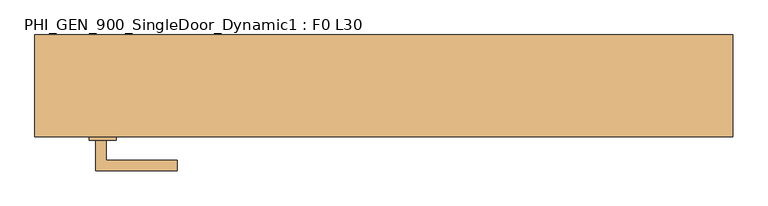
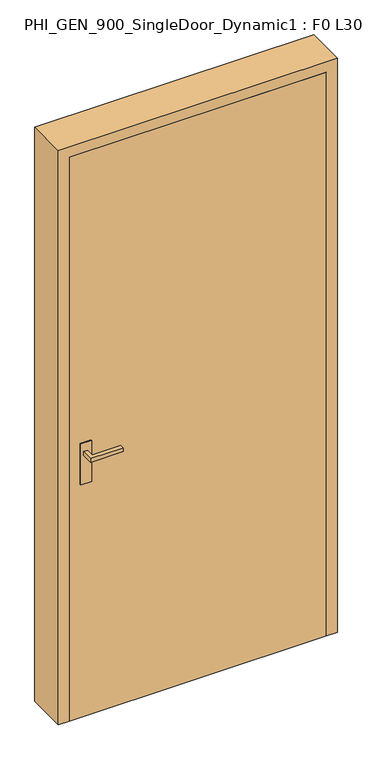
"""IFC4 building model written with IfcOpenShell, lengths in millimetres: door geometry, PHI_GEN_900_SingleDoor_Dynamic1 : F0 L30."""

from ifc_helpers import new_model, si_unit, frame, origin, origin_with_axes, place, context, project, spatial, polyline, outline, extrude, source, transform, mapped, element, save


def phi_gen_900_singledoor_dynamic1_f0_l30_b5d6c16b(model_context):
    return source(origin(), model_context, "Body", "SweptSolid", [
        extrude(outline(polyline([(0.0, -825.0), (2200.0, -825.0), (2200.0, 125.0), (0.0, 125.0), (0.0, 165.0), (2240.0, 165.0), (2240.0, -865.0), (0.0, -865.0), (0.0, -825.0)])), frame((0.0, -75.0, 0.0), z_axis=(0.0, 1.0, 0.0), x_axis=(0.0, 0.0, 1.0)), (0.0, 0.0, 1.0), 150.0),
        extrude(outline(polyline([(-775.0, -20.0), (-775.0, 25.0), (-655.0, 25.0), (-655.0, 10.0), (-760.0, 10.0), (-760.0, -20.0), (-775.0, -20.0)])), frame((0.0, 0.0, 1022.5), z_axis=(0.0, 0.0, 1.0), x_axis=(1.0, 0.0, 0.0)), (0.0, 0.0, 1.0), 15.0),
        extrude(outline(polyline([(-760.0, -80.0), (-760.0, -110.0), (-655.0, -110.0), (-655.0, -125.0), (-775.0, -125.0), (-775.0, -80.0), (-760.0, -80.0)])), frame((0.0, 0.0, 1022.5), z_axis=(0.0, 0.0, 1.0), x_axis=(1.0, 0.0, 0.0)), (0.0, 0.0, 1.0), 15.0),
        extrude(outline(polyline([(-745.0, -80.0), (-785.0, -80.0), (-785.0, -75.0), (-745.0, -75.0), (-745.0, -80.0)])), frame((0.0, 0.0, 910.0), z_axis=(0.0, 0.0, 1.0), x_axis=(1.0, 0.0, 0.0)), (0.0, 0.0, 1.0), 160.0),
        extrude(outline(polyline([(-745.0, -20.0), (-745.0, -25.0), (-785.0, -25.0), (-785.0, -20.0), (-745.0, -20.0)])), frame((0.0, 0.0, 910.0), z_axis=(0.0, 0.0, 1.0), x_axis=(1.0, 0.0, 0.0)), (0.0, 0.0, 1.0), 160.0),
        extrude(outline(polyline([(-825.0, -75.0), (-825.0, -25.0), (125.0, -25.0), (125.0, -75.0), (-825.0, -75.0)])), origin_with_axes(), (0.0, 0.0, 1.0), 2200.0),
    ])


if __name__ == "__main__":
    model = new_model("IFC4")
    model_context = context("Model", 3, world=origin())
    ifc_project = project(units=[si_unit("LENGTHUNIT", "METRE", prefix="MILLI")], contexts=[model_context])
    site = spatial("IfcSite", under=ifc_project)
    building = spatial("IfcBuilding", under=site)
    placement = place(None, origin())
    phi_gen_900_singledoor_dynamic1_f0_l30_shape = phi_gen_900_singledoor_dynamic1_f0_l30_b5d6c16b(model_context)
    element("IfcDoor", 1, ObjectType="PHI_GEN_900_SingleDoor_Dynamic1 : F0 L30", at=placement, inside=building, context=model_context, shape_type="MappedRepresentation", body=[
        mapped(phi_gen_900_singledoor_dynamic1_f0_l30_shape, transform((0.0, 0.0, 0.0), x_axis=(1.0, 0.0, 0.0), y_axis=(0.0, 1.0, 0.0), z_axis=(0.0, 0.0, 1.0))),
    ])
    save(model, "model.ifc")
